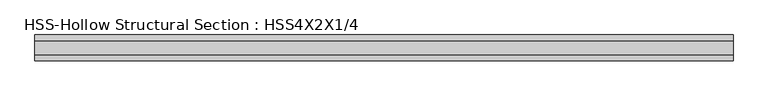
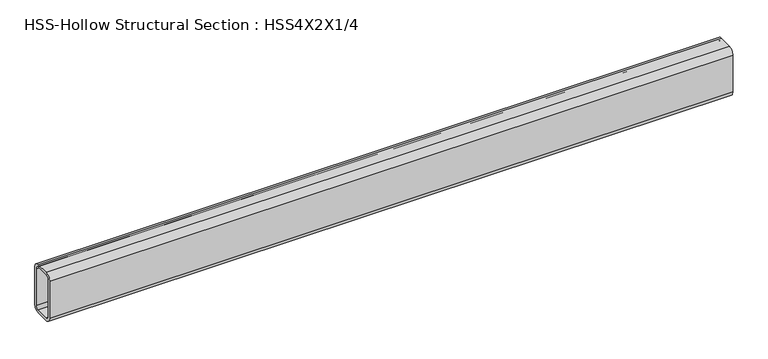
"""IFC4 building model written with IfcOpenShell, lengths in millimetres: beam geometry, HSS-Hollow Structural Section : HSS4X2X1/4."""

from ifc_helpers import new_model, si_unit, point, frame, frame_2d, origin, place, context, project, spatial, polyline, circle_curve, trimmed, segment, composite_curve, outline, extrude, source, transform, mapped, element, save


def hss_hollow_structural_section_hss4x2x1_4_73c5dee7(model_context):
    return source(origin(), model_context, "Body", "SweptSolid", [
        extrude(outline(composite_curve([segment(polyline([(25.4, 38.9636), (25.4, -38.9636)]), True, "CONTINUOUS"), segment(trimmed(circle_curve(frame_2d((13.5636, -38.9636)), 11.8364), [point((25.4, -38.9636))], [point((13.5636, -50.8))], False, "CARTESIAN"), True, "CONTINUOUS"), segment(polyline([(13.5636, -50.8), (-13.5636, -50.8)]), True, "CONTINUOUS"), segment(trimmed(circle_curve(frame_2d((-13.5636, -38.9636)), 11.8364), [point((-13.5636, -50.8))], [point((-25.4, -38.9636))], False, "CARTESIAN"), True, "CONTINUOUS"), segment(polyline([(-25.4, -38.9636), (-25.4, 38.9636)]), True, "CONTINUOUS"), segment(trimmed(circle_curve(frame_2d((-13.5636, 38.9636)), 11.8364), [point((-25.4, 38.9636))], [point((-13.5636, 50.8))], False, "CARTESIAN"), True, "CONTINUOUS"), segment(polyline([(-13.5636, 50.8), (13.5636, 50.8)]), True, "CONTINUOUS"), segment(trimmed(circle_curve(frame_2d((13.5636, 38.9636)), 11.8364), [point((13.5636, 50.8))], [point((25.4, 38.9636))], False, "CARTESIAN"), True, "CONTINUOUS")], self_intersect=False), holes=[composite_curve([segment(trimmed(circle_curve(frame_2d((-13.5636, 38.9636)), 5.9182), [point((-13.5636, 44.8818))], [point((-19.4818, 38.9636))], True, "CARTESIAN"), True, "CONTINUOUS"), segment(polyline([(-19.4818, 38.9636), (-19.4818, -38.9636)]), True, "CONTINUOUS"), segment(trimmed(circle_curve(frame_2d((-13.5636, -38.9636)), 5.9182), [point((-19.4818, -38.9636))], [point((-13.5636, -44.8818))], True, "CARTESIAN"), True, "CONTINUOUS"), segment(polyline([(-13.5636, -44.8818), (13.5636, -44.8818)]), True, "CONTINUOUS"), segment(trimmed(circle_curve(frame_2d((13.5636, -38.9636)), 5.9182), [point((13.5636, -44.8818))], [point((19.4818, -38.9636))], True, "CARTESIAN"), True, "CONTINUOUS"), segment(polyline([(19.4818, -38.9636), (19.4818, 38.9636)]), True, "CONTINUOUS"), segment(trimmed(circle_curve(frame_2d((13.5636, 38.9636)), 5.9182), [point((19.4818, 38.9636))], [point((13.5636, 44.8818))], True, "CARTESIAN"), True, "CONTINUOUS"), segment(polyline([(13.5636, 44.8818), (-13.5636, 44.8818)]), True, "CONTINUOUS")], self_intersect=False)]), frame((-683.1331016, 0.0, 0.0), z_axis=(1.0, 0.0, 0.0), x_axis=(0.0, 1.0, 0.0)), (0.0, 0.0, 1.0), 1366.2662032),
    ])


if __name__ == "__main__":
    model = new_model("IFC4")
    model_context = context("Model", 3, world=origin())
    ifc_project = project(units=[si_unit("LENGTHUNIT", "METRE", prefix="MILLI")], contexts=[model_context])
    site = spatial("IfcSite", under=ifc_project)
    building = spatial("IfcBuilding", under=site)
    placement = place(None, origin())
    hss_hollow_structural_section_hss4x2x1_4_shape = hss_hollow_structural_section_hss4x2x1_4_73c5dee7(model_context)
    element("IfcBeam", 1, ObjectType="HSS-Hollow Structural Section : HSS4X2X1/4", at=placement, inside=building, context=model_context, shape_type="MappedRepresentation", body=[
        mapped(hss_hollow_structural_section_hss4x2x1_4_shape, transform((0.0, 0.0, 0.0), x_axis=(1.0, 0.0, 0.0), y_axis=(0.0, 1.0, 0.0), z_axis=(0.0, 0.0, 1.0))),
    ])
    save(model, "model.ifc")
